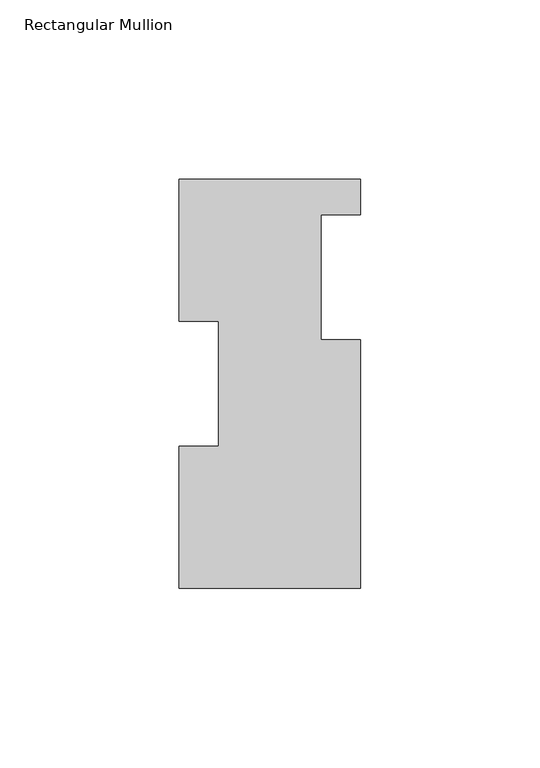
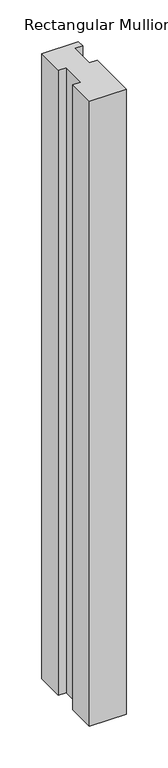
"""IFC4 building model written with IfcOpenShell, lengths in millimetres: member geometry, Rectangular Mullion."""

from ifc_helpers import new_model, si_unit, frame, origin, place, context, project, spatial, polyline, outline, extrude, source, transform, mapped, element, save


def rectangular_mullion_cba05803(model_context):
    return source(origin(), model_context, "Body", "SweptSolid", [
        extrude(outline(polyline([(25.4, 114.0729875), (25.4, 104.1669875), (14.2875, 104.1669875), (14.2875, 69.2419875), (25.4, 69.2419875), (25.4, -0.2270125), (-25.4, -0.2270125), (-25.4, 39.4477875), (-14.2875, 39.4477875), (-14.2875, 74.3981875), (-25.4, 74.3981875), (-25.4, 114.0729875), (25.4, 114.0729875)])), frame((0.0, 0.0, -914.4), z_axis=(0.0, 0.0, 1.0), x_axis=(1.0, 0.0, 0.0)), (0.0, 0.0, 1.0), 914.4),
    ])


if __name__ == "__main__":
    model = new_model("IFC4")
    model_context = context("Model", 3, world=origin())
    ifc_project = project(units=[si_unit("LENGTHUNIT", "METRE", prefix="MILLI")], contexts=[model_context])
    site = spatial("IfcSite", under=ifc_project)
    building = spatial("IfcBuilding", under=site)
    placement = place(None, origin())
    rectangular_mullion_shape = rectangular_mullion_cba05803(model_context)
    element("IfcMember", 1, ObjectType="Rectangular Mullion", at=placement, inside=building, context=model_context, shape_type="MappedRepresentation", body=[
        mapped(rectangular_mullion_shape, transform((0.0, 0.0, 0.0), x_axis=(1.0, 0.0, 0.0), y_axis=(0.0, 1.0, 0.0), z_axis=(0.0, 0.0, 1.0))),
    ])
    save(model, "model.ifc")
